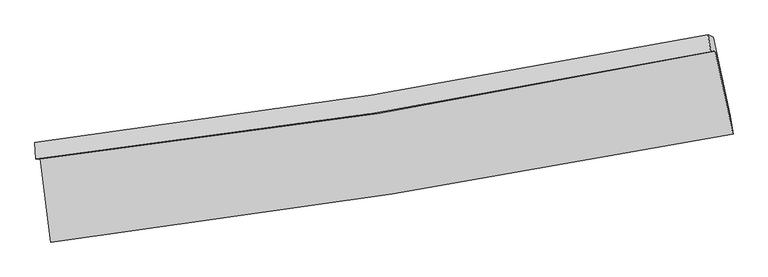
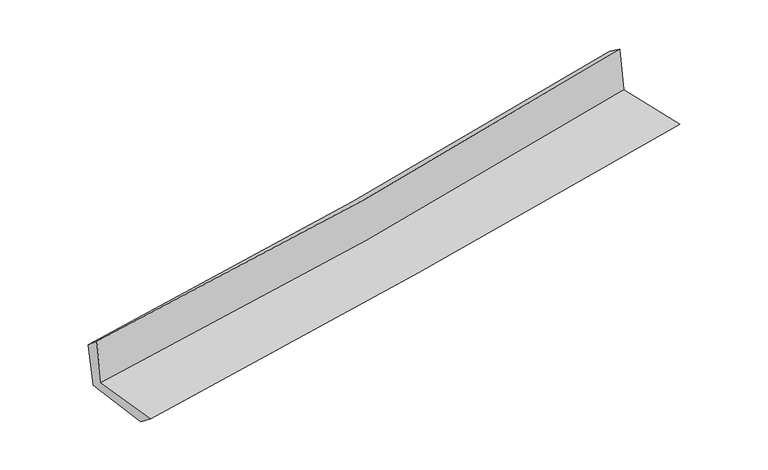
"""IFC4 building model written with IfcOpenShell, lengths in millimetres: proxy geometry."""

from ifc_helpers import new_model, si_unit, frame, origin, place, context, project, spatial, source, transform, mapped, element, save
from ifc_brep_helpers import plane_surface, spline_curve, spline_surface, advanced_brep


def generic_models_13ba3f9d(model_context):
    return source(origin(), model_context, "Body", "AdvancedBrep", [
        advanced_brep(
        [(-2719.3797281, -1908.9305069, 1630.2844184), (-2635.7592656, -2572.1043091, 1645.6494049), (2806.9530993, -1707.1719573, 2126.371197), (2664.7333945, -1045.5786133, 2114.7544307), (-2756.698834, -1906.8041758, 2049.384352), (2628.4993522, -1048.3206991, 2528.6366017), (-2763.5195154, -1776.6672253, 1937.897241), (2608.0194056, -915.6836997, 2436.0367471), (-2725.9326572, -1793.617213, 1537.2568158), (2648.7285386, -932.9703034, 2020.6000736), (-2644.5537782, -2423.9120105, 1530.3185624), (2785.1279399, -1564.0662948, 2023.4147388)],
        [
            (0, 1),
            (1, 2, spline_curve(3, [(-2635.7592656, -2572.1043091, 1645.6494049), (-1726.760343723, -2460.094412081, 1735.264333856), (-819.493906494, -2332.166140323, 1820.070140846), (994.755744377, -2043.967416418, 1980.344593001), (1901.726762468, -1883.584904654, 2055.779383214), (2806.9530993, -1707.1719573, 2126.371197)], [4, 2, 4], [0.0, 9.014014855965126, 18.059701973572174])),
            (2, 3),
            (3, 0, spline_curve(3, [(2664.7333945, -1045.5786133, 2114.7544307), (1772.306893692, -1233.841988496, 2034.390276483), (876.624983549, -1400.007155762, 1953.76443661), (-918.102147549, -1687.636643279, 1792.272603423), (-1817.124611391, -1809.255440692, 1711.408438918), (-2719.3797281, -1908.9305069, 1630.2844184)], [4, 2, 4], [0.0, 9.045687117607049, 18.059701973572174])),
            (4, 0),
            (3, 5),
            (5, 4, spline_curve(3, [(2628.4993522, -1048.3206991, 2528.6366017), (1740.109149377, -1233.453924748, 2440.965368634), (846.351109005, -1397.649636252, 2357.128736693), (-948.752476596, -1683.66443196, 2197.404792699), (-1850.060498703, -1805.629879496, 2121.4906745), (-2756.698834, -1906.8041758, 2049.384352)], [4, 2, 4], [0.0, 8.998963513626226, 17.966418362050568])),
            (6, 4),
            (5, 7),
            (7, 6, spline_curve(3, [(2608.0194056, -915.6836997, 2436.0367471), (1716.423714034, -1093.460077785, 2348.080789823), (822.20800881, -1254.192885467, 2262.522582396), (-968.323280082, -1541.068251517, 2096.492841607), (-1864.620548271, -1667.329952159, 2016.00454713), (-2763.5195154, -1776.6672253, 1937.897241)], [4, 2, 4], [0.0, 8.98886954671143, 17.946265770893895])),
            (8, 6),
            (7, 9),
            (9, 8, spline_curve(3, [(2648.7285386, -932.9703034, 2020.6000736), (1756.125443957, -1110.495098231, 1940.095673863), (861.145817039, -1271.07418512, 1859.494060361), (-930.424527864, -1557.838030046, 1698.378961572), (-1826.99863296, -1684.141246189, 1617.866155763), (-2725.9326572, -1793.617213, 1537.2568158)], [4, 2, 4], [0.0, 8.980343263235522, 17.929243057581452])),
            (10, 8),
            (9, 11),
            (11, 10, spline_curve(3, [(2785.1279399, -1564.0662948, 2023.4147388), (1882.540906881, -1738.537903401, 1942.936416944), (977.976926215, -1897.526073981, 1861.532222853), (-831.930799797, -2184.033076023, 1697.160358644), (-1737.260724904, -2311.660144016, 1614.199160297), (-2644.5537782, -2423.9120105, 1530.3185624)], [4, 2, 4], [0.0, 9.026624898862257, 18.02164427988787])),
            (1, 10),
            (11, 2),
        ],
        [
            spline_surface(3, 3, [[(-2719.3797281, -1908.9305069, 1630.2844184), (-1817.124611486, -1809.255440593, 1711.408438886), (-918.102147515, -1687.636643338, 1792.272603323), (876.624983515, -1400.007155704, 1953.764436711), (1772.306893785, -1233.841988456, 2034.390276407), (2664.7333945, -1045.5786133, 2114.7544307)], [(-2691.506240599, -2129.988440956, 1635.406080559), (-1787.003188915, -2026.201764443, 1719.360403865), (-885.232733877, -1902.479808945, 1801.538449182), (916.001903841, -1614.660575984, 1962.624488789), (1815.446849967, -1450.422960519, 2041.519978695), (2712.139962771, -1266.109727973, 2118.626686127)], [(-2663.632753101, -2351.046375044, 1640.527742741), (-1756.881766346, -2243.148088324, 1727.312368867), (-852.363320244, -2117.322974571, 1810.804295041), (955.378824162, -1829.313996284, 1971.484540868), (1858.586806138, -1667.003932562, 2048.649681002), (2759.546531029, -1486.640842627, 2122.498941573)], [(-2635.7592656, -2572.1043091, 1645.6494049), (-1726.760343774, -2460.094412174, 1735.264333846), (-819.493906605, -2332.166140178, 1820.0701409), (994.755744488, -2043.967416564, 1980.344592947), (1901.726762321, -1883.584904624, 2055.779383289), (2806.9530993, -1707.1719573, 2126.371197)]], [4, 4], [4, 2, 4], [0.0, 2.145229638994506], [0.0, 9.014014855965126, 18.059701973572174]),
            spline_surface(3, 3, [[(-2756.698834, -1906.8041758, 2049.384352), (-1850.060498579, -1805.629879361, 2121.490674378), (-948.752476689, -1683.664431991, 2197.404792591), (846.351109098, -1397.649636222, 2357.128736801), (1740.109149271, -1233.453924662, 2440.965368517), (2628.4993522, -1048.3206991, 2528.6366017)], [(-2744.259132014, -1907.512952846, 1909.684374138), (-1839.081869528, -1806.838399784, 1984.796595885), (-938.53570032, -1684.988502428, 2062.360729511), (856.442400549, -1398.435476037, 2222.673970113), (1750.841730772, -1233.583279242, 2305.440337816), (2640.577366297, -1047.406670482, 2390.675878035)], [(-2731.819430086, -1908.221729854, 1769.984396262), (-1828.103240537, -1808.04692017, 1848.102517379), (-928.318923885, -1686.312572901, 1927.316666403), (866.533692064, -1399.221315888, 2088.219203398), (1761.574312283, -1233.712633876, 2169.915307108), (2652.655380403, -1046.492641918, 2252.715154365)], [(-2719.3797281, -1908.9305069, 1630.2844184), (-1817.124611486, -1809.255440593, 1711.408438886), (-918.102147515, -1687.636643338, 1792.272603323), (876.624983515, -1400.007155704, 1953.764436711), (1772.306893785, -1233.841988456, 2034.390276407), (2664.7333945, -1045.5786133, 2114.7544307)]], [4, 4], [4, 2, 4], [0.0, 1.3300642525386779], [0.0, 8.967454848424342, 17.966418362050568]),
            spline_surface(3, 3, [[(-2763.5195154, -1776.6672253, 1937.897241), (-1864.620548289, -1667.329952307, 2016.004547208), (-968.32328005, -1541.068251466, 2096.492841689), (822.208008778, -1254.192885519, 2262.522582314), (1716.423714155, -1093.460077874, 2348.080789877), (2608.0194056, -915.6836997, 2436.0367471)], [(-2761.245954936, -1820.046208783, 1975.059611352), (-1859.767198388, -1713.429927974, 2051.166589616), (-961.799678908, -1588.600311638, 2130.130158659), (830.255708907, -1302.011802417, 2294.057967145), (1724.318859167, -1140.124693492, 2379.042316099), (2614.846054441, -959.896032855, 2466.903365309)], [(-2758.972394464, -1863.425192317, 2012.221981648), (-1854.913848479, -1759.529903694, 2086.32863197), (-955.276077832, -1636.132371819, 2163.767475621), (838.303408969, -1349.830719324, 2325.593351969), (1732.214004258, -1186.789309045, 2410.003842294), (2621.672703359, -1004.108365945, 2497.769983491)], [(-2756.698834, -1906.8041758, 2049.384352), (-1850.060498579, -1805.629879361, 2121.490674378), (-948.752476689, -1683.664431991, 2197.404792591), (846.351109098, -1397.649636222, 2357.128736801), (1740.109149271, -1233.453924662, 2440.965368517), (2628.4993522, -1048.3206991, 2528.6366017)]], [4, 4], [4, 2, 4], [0.0, 0.5728776751934911], [0.0, 8.957396224182466, 17.946265770893895]),
            spline_surface(3, 3, [[(-2725.9326572, -1793.617213, 1537.2568158), (-1826.9986331, -1684.141246235, 1617.866155826), (-930.424527919, -1557.838029919, 1698.378961544), (861.145817095, -1271.074185247, 1859.49406039), (1756.125443849, -1110.49509832, 1940.095673923), (2648.7285386, -932.9703034, 2020.6000736)], [(-2738.461609938, -1787.967217118, 1670.80362419), (-1839.539271501, -1678.53748161, 1750.578952944), (-943.057445313, -1552.248103782, 1831.083588251), (848.166547639, -1265.447085352, 1993.836901023), (1742.891533972, -1104.816758145, 2076.090712552), (2635.158827621, -927.20810214, 2159.078964744)], [(-2750.990562662, -1782.317221182, 1804.35043261), (-1852.079909888, -1672.933716931, 1883.29175009), (-955.690362656, -1546.658177603, 1963.788214982), (835.187278234, -1259.819985414, 2128.179741681), (1729.657624031, -1099.138418049, 2212.085751248), (2621.589116579, -921.44590096, 2297.557855956)], [(-2763.5195154, -1776.6672253, 1937.897241), (-1864.620548289, -1667.329952307, 2016.004547208), (-968.32328005, -1541.068251466, 2096.492841689), (822.208008778, -1254.192885519, 2262.522582314), (1716.423714155, -1093.460077874, 2348.080789877), (2608.0194056, -915.6836997, 2436.0367471)]], [4, 4], [4, 2, 4], [0.0, 1.3214228563645598], [0.0, 8.94889979434593, 17.929243057581452]),
            spline_surface(3, 3, [[(-2644.5537782, -2423.9120105, 1530.3185624), (-1737.260724919, -2311.660144102, 1614.199160397), (-831.930799712, -2184.033076004, 1697.16035854), (977.97692613, -1897.526074, 1861.532222957), (1882.540906939, -1738.537903505, 1942.936416946), (2785.1279399, -1564.0662948, 2023.4147388)], [(-2671.68007121, -2213.813744665, 1532.631313548), (-1767.17336099, -2102.487178145, 1615.421492222), (-864.762042445, -1975.301393967, 1697.566559535), (939.033223121, -1688.70877774, 1860.852835429), (1840.402419222, -1529.190301783, 1941.989502627), (2739.66147278, -1353.70096434, 2022.476517088)], [(-2698.80636419, -2003.715478835, 1534.944064652), (-1797.085997029, -1893.314212192, 1616.643824002), (-897.593285186, -1766.569711957, 1697.972760549), (900.089520104, -1479.891481507, 1860.173447918), (1798.263931565, -1319.842700042, 1941.042588243), (2694.19500572, -1143.33563386, 2021.538295312)], [(-2725.9326572, -1793.617213, 1537.2568158), (-1826.9986331, -1684.141246235, 1617.866155826), (-930.424527919, -1557.838029919, 1698.378961544), (861.145817095, -1271.074185247, 1859.49406039), (1756.125443849, -1110.49509832, 1940.095673923), (2648.7285386, -932.9703034, 2020.6000736)]], [4, 4], [4, 2, 4], [0.0, 2.085024636589788], [0.0, 8.995019381025612, 18.02164427988787]),
            spline_surface(3, 3, [[(-2635.7592656, -2572.1043091, 1645.6494049), (-1726.760343774, -2460.094412174, 1735.264333846), (-819.493906605, -2332.166140178, 1820.0701409), (994.755744488, -2043.967416564, 1980.344592947), (1901.726762321, -1883.584904624, 2055.779383289), (2806.9530993, -1707.1719573, 2126.371197)], [(-2638.690769802, -2522.706876232, 1607.205790714), (-1730.260470825, -2410.616322816, 1694.90927601), (-823.639537629, -2282.788452136, 1779.100213449), (989.162805047, -1995.153635725, 1940.740469619), (1895.331477217, -1835.235904262, 2018.165061171), (2799.67804619, -1659.470069811, 2092.052377596)], [(-2641.622273998, -2473.309443368, 1568.762176586), (-1733.760597868, -2361.138233461, 1654.554218233), (-827.785168688, -2233.410764046, 1738.130285991), (983.569865571, -1946.339854839, 1901.136346285), (1888.936192042, -1786.886903867, 1980.550739064), (2792.40299301, -1611.768182289, 2057.733558204)], [(-2644.5537782, -2423.9120105, 1530.3185624), (-1737.260724919, -2311.660144102, 1614.199160397), (-831.930799712, -2184.033076004, 1697.16035854), (977.97692613, -1897.526074, 1861.532222957), (1882.540906939, -1738.537903505, 1942.936416946), (2785.1279399, -1564.0662948, 2023.4147388)]], [4, 4], [4, 2, 4], [0.0, 0.6269058452034768], [0.0, 9.050130924978605, 18.132061011499513]),
            plane_surface(frame((2690.3436217, -1202.2985946, 2208.3022981), z_axis=(0.9736761484906059, 0.21082799656739698, 0.08663898501181407), x_axis=(-0.09744056110130314, 0.04137686681975739, 0.9943808585971692))),
            plane_surface(frame((-2707.6406298, -2063.6725734, 1721.7984658), z_axis=(-0.9880991201214857, -0.12661438130853778, -0.08734373051915104), x_axis=(-0.12506771728531893, 0.9918820240638058, -0.022980783975473564))),
        ],
        [
            (0, [[1, 2, 3, 4]]),
            (1, [[5, -4, 6, 7]]),
            (2, [[8, -7, 9, 10]]),
            (3, [[11, -10, 12, 13]]),
            (4, [[14, -13, 15, 16]]),
            (5, [[17, -16, 18, -2]]),
            (6, [[-12, -9, -6, -3, -18, -15]]),
            (7, [[-1, -5, -8, -11, -14, -17]]),
        ],
    ),
    ])


if __name__ == "__main__":
    model = new_model("IFC4")
    model_context = context("Model", 3, world=origin())
    ifc_project = project(units=[si_unit("LENGTHUNIT", "METRE", prefix="MILLI")], contexts=[model_context])
    site = spatial("IfcSite", under=ifc_project)
    building = spatial("IfcBuilding", under=site)
    placement = place(None, origin())
    generic_models_shape = generic_models_13ba3f9d(model_context)
    element("IfcBuildingElementProxy", 1, Name="Generic Models", at=placement, inside=building, context=model_context, shape_type="MappedRepresentation", body=[
        mapped(generic_models_shape, transform((0.0, 0.0, 0.0), x_axis=(1.0, 0.0, 0.0), y_axis=(0.0, 1.0, 0.0), z_axis=(0.0, 0.0, 1.0))),
    ])
    save(model, "model.ifc")
